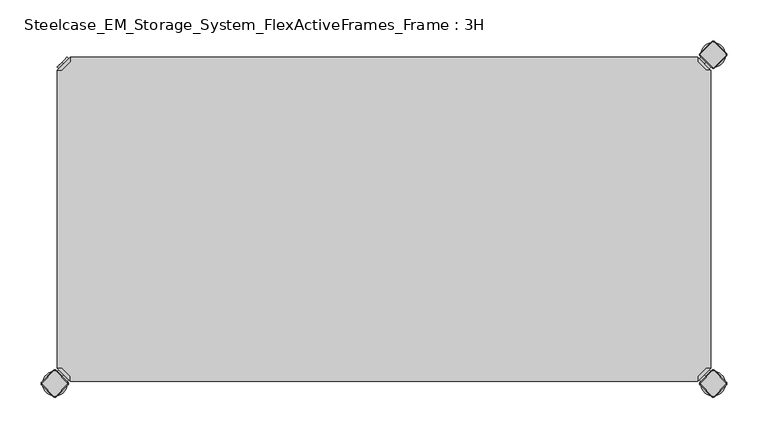
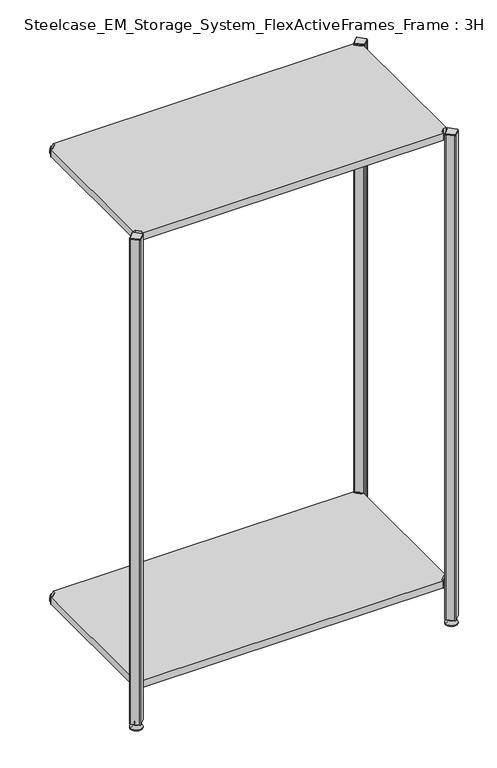
"""IFC4 building model written with IfcOpenShell, lengths in millimetres: furniture geometry, Steelcase_EM_Storage_System_FlexActiveFrames_Frame : 3H."""

from ifc_helpers import new_model, si_unit, point, frame, frame_2d, origin, place, context, project, spatial, polyline, circle_curve, trimmed, segment, composite_curve, outline, extrude, source, transform, mapped, element, save
from ifc_brep_helpers import plane_surface, cylinder_surface, revolved_surface, advanced_brep


def steelcase_em_storage_system_flexactiveframes_frame_3h_fc82f0cc(model_context):
    return source(origin(), model_context, "Body", "SolidModel", [
        advanced_brep(
        [(10.9601551, -10.9601551, 1298.5), (10.9601551, -10.9601551, 1315.5), (10.9601551, -10.9601551, 1307.0), (8.8388348, -8.8388348, 1298.5), (8.8388348, -8.8388348, 1315.5), (8.8388348, -8.8388348, 1307.0)],
        [
            (0, 1, circle_curve(frame((10.9601551, -10.9601551, 1307.0), z_axis=(0.7071067811865464, -0.7071067811865487, 0.0), x_axis=(0.0, 0.0, 1.0)), 8.5)),
            (1, 2),
            (2, 0),
            (1, 0, circle_curve(frame((10.9601551, -10.9601551, 1307.0), z_axis=(0.7071067811865464, -0.7071067811865487, 0.0), x_axis=(0.0, 0.0, 1.0)), 8.5)),
            (3, 4, circle_curve(frame((8.8388348, -8.8388348, 1307.0), z_axis=(0.7071067811865464, -0.7071067811865487, 0.0), x_axis=(0.0, 0.0, 1.0)), 8.5)),
            (4, 1),
            (0, 3),
            (4, 3, circle_curve(frame((8.8388348, -8.8388348, 1307.0), z_axis=(0.7071067811865464, -0.7071067811865487, 0.0), x_axis=(0.0, 0.0, 1.0)), 8.5)),
            (5, 4),
            (3, 5),
        ],
        [
            plane_surface(frame((10.9601551, -10.9601551, 1307.0), z_axis=(0.707106781186546, -0.7071067811865491, 0.0), x_axis=(0.0, 0.0, 1.0))),
            cylinder_surface(frame((8.8388348, -8.8388348, 1307.0), z_axis=(-0.7071067811865464, 0.7071067811865487, 0.0), x_axis=(0.0, 0.0, 1.0)), 8.5),
            plane_surface(frame((8.8388348, -8.8388348, 1307.0), z_axis=(-0.707106781186546, 0.7071067811865491, 0.0), x_axis=(0.0, 0.0, 1.0))),
        ],
        [
            (0, [[1, 2, 3]]),
            (0, [[4, -3, -2]]),
            (1, [[5, 6, -1, 7]]),
            (1, [[8, -7, -4, -6]]),
            (2, [[9, -5, 10]]),
            (2, [[-10, -8, -9]]),
        ],
    ),
        advanced_brep(
        [(18.9203102, -3.0, 1317.0), (3.0, -18.9203102, 1317.0), (8.6568542, -18.9203102, 1317.0), (18.9203102, -8.6568542, 1317.0), (18.9203102, -3.0, 1298.0), (18.9203102, -3.0, 1297.0), (3.0, -18.9203102, 1297.0), (3.0, -18.9203102, 1298.0), (8.6568542, -18.9203102, 1298.0), (18.9203102, -8.6568542, 1298.0), (31.8093975, -47.7297077, 1298.0), (47.7297077, -31.8093975, 1298.0), (47.7297077, -31.8093975, 1297.0), (31.8093975, -47.7297077, 1297.0)],
        [
            (0, 1),
            (1, 2),
            (2, 3),
            (3, 0),
            (0, 4),
            (4, 5),
            (5, 6),
            (6, 7),
            (7, 1),
            (2, 8),
            (8, 9),
            (9, 3),
            (9, 4),
            (7, 8),
            (7, 10),
            (10, 11, circle_curve(frame((39.7695526, -39.7695526, 1298.0), z_axis=(0.0, 0.0, 1.0), x_axis=(1.0, 0.0, 0.0)), 11.2573593)),
            (11, 4),
            (5, 12),
            (12, 13, circle_curve(frame((39.7695526, -39.7695526, 1297.0), z_axis=(0.0, 0.0, -1.0), x_axis=(1.0, 0.0, 0.0)), 11.2573593)),
            (13, 6),
            (13, 10),
            (12, 11),
        ],
        [
            plane_surface(frame((-38.8756299, -60.7959401, 1317.0), z_axis=(0.0, 0.0, 1.0000000000000002), x_axis=(-0.7071067811865557, -0.7071067811865395, 0.0))),
            plane_surface(frame((18.9203102, -3.0, 1317.0), z_axis=(-0.7071067811865395, 0.7071067811865557, 0.0), x_axis=(0.0, 0.0, -1.0))),
            plane_surface(frame((8.6568542, -18.9203102, 1317.0), z_axis=(0.7071067811865481, -0.7071067811865469, 0.0), x_axis=(0.0, 0.0, -1.0))),
            plane_surface(frame((18.9203102, -8.6568542, 1317.0), z_axis=(1.0, 0.0, 0.0), x_axis=(0.0, 0.0, -1.0))),
            plane_surface(frame((3.0, -18.9203102, 1317.0), z_axis=(0.0, -1.0, 0.0), x_axis=(0.0, 0.0, -1.0))),
            plane_surface(frame((3.0, -18.9203102, 1298.0), z_axis=(0.0, 0.0, 1.0), x_axis=(-0.7071067811865485, -0.7071067811865466, 0.0))),
            plane_surface(frame((3.0, -18.9203102, 1297.0), z_axis=(0.0, 0.0, -1.0), x_axis=(0.7071067811865485, 0.7071067811865466, 0.0))),
            plane_surface(frame((3.0, -18.9203102, 1298.0), z_axis=(-0.7071067811865491, -0.707106781186546, 0.0), x_axis=(0.0, 0.0, -1.0))),
            cylinder_surface(frame((39.7695526, -39.7695526, 1297.0), z_axis=(0.0, 0.0, 1.0), x_axis=(1.0, 0.0, 0.0)), 11.2573593),
            plane_surface(frame((47.7297077, -31.8093975, 1298.0), z_axis=(0.707106781186548, 0.7071067811865471, 0.0), x_axis=(0.0, 0.0, -1.0))),
        ],
        [
            (0, [[1, 2, 3, 4]]),
            (1, [[-1, 5, 6, 7, 8, 9]]),
            (2, [[-3, 10, 11, 12]]),
            (3, [[-4, -12, 13, -5]]),
            (4, [[-2, -9, 14, -10]]),
            (5, [[15, 16, 17, -13, -11, -14]]),
            (6, [[18, 19, 20, -7]]),
            (7, [[-15, -8, -20, 21]]),
            (8, [[-16, -21, -19, 22]]),
            (9, [[-17, -22, -18, -6]]),
        ],
    ),
        extrude(outline(polyline([(781.0796898, -3.0), (781.0796898, -8.6568542), (791.3431458, -18.9203102), (797.0, -18.9203102), (797.0, -381.0796898), (791.3431458, -381.0796898), (781.0796898, -391.3431458), (781.0796898, -397.0), (18.9203102, -397.0), (18.9203102, -391.3431458), (8.6568542, -381.0796898), (3.0, -381.0796898), (3.0, -18.9203102), (8.6568542, -18.9203102), (18.9203102, -8.6568542), (18.9203102, -3.0), (781.0796898, -3.0)])), frame((0.0, 0.0, 1298.0), z_axis=(0.0, 0.0, 1.0), x_axis=(1.0, 0.0, 0.0)), (0.0, 0.0, 1.0), 19.0),
        advanced_brep(
        [(789.0398449, -10.9601551, 98.5), (789.0398449, -10.9601551, 107.0), (789.0398449, -10.9601551, 115.5), (791.1611652, -8.8388348, 98.5), (791.1611652, -8.8388348, 115.5), (791.1611652, -8.8388348, 107.0)],
        [
            (0, 1),
            (1, 2),
            (2, 0, circle_curve(frame((789.0398449, -10.9601551, 107.0), z_axis=(-0.7071067811865556, -0.7071067811865395, 0.0), x_axis=(0.0, 0.0, 1.0)), 8.5)),
            (0, 2, circle_curve(frame((789.0398449, -10.9601551, 107.0), z_axis=(-0.7071067811865556, -0.7071067811865395, 0.0), x_axis=(0.0, 0.0, 1.0)), 8.5)),
            (3, 0),
            (2, 4),
            (4, 3, circle_curve(frame((791.1611652, -8.8388348, 107.0), z_axis=(-0.7071067811865556, -0.7071067811865395, 0.0), x_axis=(0.0, 0.0, 1.0)), 8.5)),
            (3, 4, circle_curve(frame((791.1611652, -8.8388348, 107.0), z_axis=(-0.7071067811865556, -0.7071067811865395, 0.0), x_axis=(0.0, 0.0, 1.0)), 8.5)),
            (5, 3),
            (4, 5),
        ],
        [
            plane_surface(frame((789.0398449, -10.9601551, 107.0), z_axis=(-0.7071067811865552, -0.7071067811865399, 0.0), x_axis=(0.0, 0.0, 1.0))),
            cylinder_surface(frame((791.1611652, -8.8388348, 107.0), z_axis=(0.7071067811865556, 0.7071067811865395, 0.0), x_axis=(0.0, 0.0, 1.0)), 8.5),
            plane_surface(frame((791.1611652, -8.8388348, 107.0), z_axis=(0.7071067811865552, 0.7071067811865399, 0.0), x_axis=(0.0, 0.0, 1.0))),
        ],
        [
            (0, [[1, 2, 3]]),
            (0, [[-2, -1, 4]]),
            (1, [[5, -3, 6, 7]]),
            (1, [[-6, -4, -5, 8]]),
            (2, [[9, -7, 10]]),
            (2, [[-10, -8, -9]]),
        ],
    ),
        advanced_brep(
        [(781.0796898, -3.0, 117.0), (781.0796898, -8.6568542, 117.0), (791.3431458, -18.9203102, 117.0), (797.0, -18.9203102, 117.0), (797.0, -18.9203102, 98.0), (797.0, -18.9203102, 97.0), (781.0796898, -3.0, 97.0), (781.0796898, -3.0, 98.0), (781.0796898, -8.6568542, 98.0), (791.3431458, -18.9203102, 98.0), (752.2702923, -31.8093975, 98.0), (768.1906025, -47.7297077, 98.0), (768.1906025, -47.7297077, 97.0), (752.2702923, -31.8093975, 97.0)],
        [
            (0, 1),
            (1, 2),
            (2, 3),
            (3, 0),
            (3, 4),
            (4, 5),
            (5, 6),
            (6, 7),
            (7, 0),
            (1, 8),
            (8, 9),
            (9, 2),
            (7, 8),
            (9, 4),
            (7, 10),
            (10, 11, circle_curve(frame((760.2304474, -39.7695526, 98.0), z_axis=(0.0, 0.0, 1.0), x_axis=(-1.0, 0.0, 0.0)), 11.2573593)),
            (11, 4),
            (5, 12),
            (12, 13, circle_curve(frame((760.2304474, -39.7695526, 97.0), z_axis=(0.0, 0.0, -1.0), x_axis=(-1.0, 0.0, 0.0)), 11.2573593)),
            (13, 6),
            (11, 12),
            (10, 13),
        ],
        [
            plane_surface(frame((838.8756299, -60.7959401, 117.0), z_axis=(0.0, 0.0, 1.0000000000000002), x_axis=(0.7071067811865465, -0.7071067811865487, 0.0))),
            plane_surface(frame((781.0796898, -3.0, 117.0), z_axis=(0.7071067811865487, 0.7071067811865465, 0.0), x_axis=(0.0, 0.0, -1.0))),
            plane_surface(frame((791.3431458, -18.9203102, 117.0), z_axis=(-0.7071067811865573, -0.7071067811865377, 0.0), x_axis=(0.0, 0.0, -1.0))),
            plane_surface(frame((781.0796898, -8.6568542, 117.0), z_axis=(-1.0, 0.0, 0.0), x_axis=(0.0, 0.0, -1.0))),
            plane_surface(frame((797.0, -18.9203102, 117.0), z_axis=(0.0, -1.0, 0.0), x_axis=(0.0, 0.0, -1.0))),
            plane_surface(frame((797.0, -18.9203102, 98.0), z_axis=(0.0, 0.0, 1.0), x_axis=(0.7071067811865392, -0.7071067811865558, 0.0))),
            plane_surface(frame((797.0, -18.9203102, 97.0), z_axis=(0.0, 0.0, -1.0), x_axis=(-0.7071067811865392, 0.7071067811865558, 0.0))),
            plane_surface(frame((797.0, -18.9203102, 98.0), z_axis=(0.7071067811865399, -0.7071067811865552, 0.0), x_axis=(0.0, 0.0, -1.0))),
            cylinder_surface(frame((760.2304474, -39.7695526, 97.0), z_axis=(0.0, 0.0, 1.0), x_axis=(-1.0, 0.0, 0.0)), 11.2573593),
            plane_surface(frame((752.2702923, -31.8093975, 98.0), z_axis=(-0.7071067811865388, 0.7071067811865563, 0.0), x_axis=(0.0, 0.0, -1.0))),
        ],
        [
            (0, [[1, 2, 3, 4]]),
            (1, [[5, 6, 7, 8, 9, -4]]),
            (2, [[10, 11, 12, -2]]),
            (3, [[-9, 13, -10, -1]]),
            (4, [[-12, 14, -5, -3]]),
            (5, [[-14, -11, -13, 15, 16, 17]]),
            (6, [[-7, 18, 19, 20]]),
            (7, [[21, -18, -6, -17]]),
            (8, [[22, -19, -21, -16]]),
            (9, [[-8, -20, -22, -15]]),
        ],
    ),
        advanced_brep(
        [(789.0398449, -389.0398449, 98.5), (789.0398449, -389.0398449, 115.5), (789.0398449, -389.0398449, 107.0), (791.1611652, -391.1611652, 98.5), (791.1611652, -391.1611652, 115.5), (791.1611652, -391.1611652, 107.0)],
        [
            (0, 1, circle_curve(frame((789.0398449, -389.0398449, 107.0), z_axis=(-0.7071067811865509, 0.7071067811865441, 0.0), x_axis=(0.0, 0.0, 1.0)), 8.5)),
            (1, 2),
            (2, 0),
            (1, 0, circle_curve(frame((789.0398449, -389.0398449, 107.0), z_axis=(-0.7071067811865509, 0.7071067811865441, 0.0), x_axis=(0.0, 0.0, 1.0)), 8.5)),
            (3, 4, circle_curve(frame((791.1611652, -391.1611652, 107.0), z_axis=(-0.7071067811865509, 0.7071067811865441, 0.0), x_axis=(0.0, 0.0, 1.0)), 8.5)),
            (4, 1),
            (0, 3),
            (4, 3, circle_curve(frame((791.1611652, -391.1611652, 107.0), z_axis=(-0.7071067811865509, 0.7071067811865441, 0.0), x_axis=(0.0, 0.0, 1.0)), 8.5)),
            (5, 4),
            (3, 5),
        ],
        [
            plane_surface(frame((789.0398449, -389.0398449, 107.0), z_axis=(-0.7071067811865506, 0.7071067811865446, 0.0), x_axis=(0.0, 0.0, 1.0))),
            cylinder_surface(frame((791.1611652, -391.1611652, 107.0), z_axis=(0.7071067811865509, -0.7071067811865441, 0.0), x_axis=(0.0, 0.0, 1.0)), 8.5),
            plane_surface(frame((791.1611652, -391.1611652, 107.0), z_axis=(0.7071067811865506, -0.7071067811865446, 0.0), x_axis=(0.0, 0.0, 1.0))),
        ],
        [
            (0, [[1, 2, 3]]),
            (0, [[4, -3, -2]]),
            (1, [[5, 6, -1, 7]]),
            (1, [[8, -7, -4, -6]]),
            (2, [[9, -5, 10]]),
            (2, [[-10, -8, -9]]),
        ],
    ),
        advanced_brep(
        [(781.0796898, -397.0, 117.0), (797.0, -381.0796898, 117.0), (791.3431458, -381.0796898, 117.0), (781.0796898, -391.3431458, 117.0), (781.0796898, -397.0, 98.0), (781.0796898, -397.0, 97.0), (797.0, -381.0796898, 97.0), (797.0, -381.0796898, 98.0), (791.3431458, -381.0796898, 98.0), (781.0796898, -391.3431458, 98.0), (768.1906025, -352.2702923, 98.0), (752.2702923, -368.1906025, 98.0), (752.2702923, -368.1906025, 97.0), (768.1906025, -352.2702923, 97.0)],
        [
            (0, 1),
            (1, 2),
            (2, 3),
            (3, 0),
            (0, 4),
            (4, 5),
            (5, 6),
            (6, 7),
            (7, 1),
            (2, 8),
            (8, 9),
            (9, 3),
            (9, 4),
            (7, 8),
            (7, 10),
            (10, 11, circle_curve(frame((760.2304474, -360.2304474, 98.0), z_axis=(0.0, 0.0, 1.0), x_axis=(-1.0, 0.0, 0.0)), 11.2573593)),
            (11, 4),
            (5, 12),
            (12, 13, circle_curve(frame((760.2304474, -360.2304474, 97.0), z_axis=(0.0, 0.0, -1.0), x_axis=(-1.0, 0.0, 0.0)), 11.2573593)),
            (13, 6),
            (13, 10),
            (12, 11),
        ],
        [
            plane_surface(frame((838.8756299, -339.2040599, 117.0), z_axis=(0.0, 0.0, 1.0000000000000002), x_axis=(0.7071067811865511, 0.707106781186544, 0.0))),
            plane_surface(frame((781.0796898, -397.0, 117.0), z_axis=(0.707106781186544, -0.7071067811865511, 0.0), x_axis=(0.0, 0.0, -1.0))),
            plane_surface(frame((791.3431458, -381.0796898, 117.0), z_axis=(-0.7071067811865527, 0.7071067811865424, 0.0), x_axis=(0.0, 0.0, -1.0))),
            plane_surface(frame((781.0796898, -391.3431458, 117.0), z_axis=(-1.0, 0.0, 0.0), x_axis=(0.0, 0.0, -1.0))),
            plane_surface(frame((797.0, -381.0796898, 117.0), z_axis=(0.0, 1.0, 0.0), x_axis=(0.0, 0.0, -1.0))),
            plane_surface(frame((797.0, -381.0796898, 98.0), z_axis=(0.0, 0.0, 1.0), x_axis=(0.7071067811865439, 0.7071067811865511, 0.0))),
            plane_surface(frame((797.0, -381.0796898, 97.0), z_axis=(0.0, 0.0, -1.0), x_axis=(-0.7071067811865439, -0.7071067811865511, 0.0))),
            plane_surface(frame((797.0, -381.0796898, 98.0), z_axis=(0.7071067811865446, 0.7071067811865506, 0.0), x_axis=(0.0, 0.0, -1.0))),
            cylinder_surface(frame((760.2304474, -360.2304474, 97.0), z_axis=(0.0, 0.0, 1.0), x_axis=(-1.0, 0.0, 0.0)), 11.2573593),
            plane_surface(frame((752.2702923, -368.1906025, 98.0), z_axis=(-0.7071067811865435, -0.7071067811865517, 0.0), x_axis=(0.0, 0.0, -1.0))),
        ],
        [
            (0, [[1, 2, 3, 4]]),
            (1, [[-1, 5, 6, 7, 8, 9]]),
            (2, [[-3, 10, 11, 12]]),
            (3, [[-4, -12, 13, -5]]),
            (4, [[-2, -9, 14, -10]]),
            (5, [[15, 16, 17, -13, -11, -14]]),
            (6, [[18, 19, 20, -7]]),
            (7, [[-15, -8, -20, 21]]),
            (8, [[-16, -21, -19, 22]]),
            (9, [[-17, -22, -18, -6]]),
        ],
    ),
        advanced_brep(
        [(10.9601551, -389.0398449, 98.5), (10.9601551, -389.0398449, 107.0), (10.9601551, -389.0398449, 115.5), (8.8388348, -391.1611652, 98.5), (8.8388348, -391.1611652, 115.5), (8.8388348, -391.1611652, 107.0)],
        [
            (0, 1),
            (1, 2),
            (2, 0, circle_curve(frame((10.9601551, -389.0398449, 107.0), z_axis=(0.7071067811865509, 0.7071067811865441, 0.0), x_axis=(0.0, 0.0, 1.0)), 8.5)),
            (0, 2, circle_curve(frame((10.9601551, -389.0398449, 107.0), z_axis=(0.7071067811865509, 0.7071067811865441, 0.0), x_axis=(0.0, 0.0, 1.0)), 8.5)),
            (3, 0),
            (2, 4),
            (4, 3, circle_curve(frame((8.8388348, -391.1611652, 107.0), z_axis=(0.7071067811865509, 0.7071067811865441, 0.0), x_axis=(0.0, 0.0, 1.0)), 8.5)),
            (3, 4, circle_curve(frame((8.8388348, -391.1611652, 107.0), z_axis=(0.7071067811865509, 0.7071067811865441, 0.0), x_axis=(0.0, 0.0, 1.0)), 8.5)),
            (5, 3),
            (4, 5),
        ],
        [
            plane_surface(frame((10.9601551, -389.0398449, 107.0), z_axis=(0.7071067811865506, 0.7071067811865446, 0.0), x_axis=(0.0, 0.0, 1.0))),
            cylinder_surface(frame((8.8388348, -391.1611652, 107.0), z_axis=(-0.7071067811865509, -0.7071067811865441, 0.0), x_axis=(0.0, 0.0, 1.0)), 8.5),
            plane_surface(frame((8.8388348, -391.1611652, 107.0), z_axis=(-0.7071067811865506, -0.7071067811865446, 0.0), x_axis=(0.0, 0.0, 1.0))),
        ],
        [
            (0, [[1, 2, 3]]),
            (0, [[-2, -1, 4]]),
            (1, [[5, -3, 6, 7]]),
            (1, [[-6, -4, -5, 8]]),
            (2, [[9, -7, 10]]),
            (2, [[-10, -8, -9]]),
        ],
    ),
        advanced_brep(
        [(18.9203102, -397.0, 117.0), (18.9203102, -391.3431458, 117.0), (8.6568542, -381.0796898, 117.0), (3.0, -381.0796898, 117.0), (3.0, -381.0796898, 98.0), (3.0, -381.0796898, 97.0), (18.9203102, -397.0, 97.0), (18.9203102, -397.0, 98.0), (18.9203102, -391.3431458, 98.0), (8.6568542, -381.0796898, 98.0), (47.7297077, -368.1906025, 98.0), (31.8093975, -352.2702923, 98.0), (31.8093975, -352.2702923, 97.0), (47.7297077, -368.1906025, 97.0)],
        [
            (0, 1),
            (1, 2),
            (2, 3),
            (3, 0),
            (3, 4),
            (4, 5),
            (5, 6),
            (6, 7),
            (7, 0),
            (1, 8),
            (8, 9),
            (9, 2),
            (7, 8),
            (9, 4),
            (7, 10),
            (10, 11, circle_curve(frame((39.7695526, -360.2304474, 98.0), z_axis=(0.0, 0.0, 1.0), x_axis=(1.0, 0.0, 0.0)), 11.2573593)),
            (11, 4),
            (5, 12),
            (12, 13, circle_curve(frame((39.7695526, -360.2304474, 97.0), z_axis=(0.0, 0.0, -1.0), x_axis=(1.0, 0.0, 0.0)), 11.2573593)),
            (13, 6),
            (11, 12),
            (10, 13),
        ],
        [
            plane_surface(frame((-38.8756299, -339.2040599, 117.0), z_axis=(0.0, 0.0, 1.0000000000000002), x_axis=(-0.7071067811865511, 0.707106781186544, 0.0))),
            plane_surface(frame((18.9203102, -397.0, 117.0), z_axis=(-0.707106781186544, -0.7071067811865511, 0.0), x_axis=(0.0, 0.0, -1.0))),
            plane_surface(frame((8.6568542, -381.0796898, 117.0), z_axis=(0.7071067811865527, 0.7071067811865424, 0.0), x_axis=(0.0, 0.0, -1.0))),
            plane_surface(frame((18.9203102, -391.3431458, 117.0), z_axis=(1.0, 0.0, 0.0), x_axis=(0.0, 0.0, -1.0))),
            plane_surface(frame((3.0, -381.0796898, 117.0), z_axis=(0.0, 1.0, 0.0), x_axis=(0.0, 0.0, -1.0))),
            plane_surface(frame((3.0, -381.0796898, 98.0), z_axis=(0.0, 0.0, 1.0), x_axis=(-0.7071067811865439, 0.7071067811865511, 0.0))),
            plane_surface(frame((3.0, -381.0796898, 97.0), z_axis=(0.0, 0.0, -1.0), x_axis=(0.7071067811865439, -0.7071067811865511, 0.0))),
            plane_surface(frame((3.0, -381.0796898, 98.0), z_axis=(-0.7071067811865446, 0.7071067811865506, 0.0), x_axis=(0.0, 0.0, -1.0))),
            cylinder_surface(frame((39.7695526, -360.2304474, 97.0), z_axis=(0.0, 0.0, 1.0), x_axis=(1.0, 0.0, 0.0)), 11.2573593),
            plane_surface(frame((47.7297077, -368.1906025, 98.0), z_axis=(0.7071067811865435, -0.7071067811865517, 0.0), x_axis=(0.0, 0.0, -1.0))),
        ],
        [
            (0, [[1, 2, 3, 4]]),
            (1, [[5, 6, 7, 8, 9, -4]]),
            (2, [[10, 11, 12, -2]]),
            (3, [[-9, 13, -10, -1]]),
            (4, [[-12, 14, -5, -3]]),
            (5, [[-14, -11, -13, 15, 16, 17]]),
            (6, [[-7, 18, 19, 20]]),
            (7, [[21, -18, -6, -17]]),
            (8, [[22, -19, -21, -16]]),
            (9, [[-8, -20, -22, -15]]),
        ],
    ),
        advanced_brep(
        [(10.9601551, -10.9601551, 98.5), (10.9601551, -10.9601551, 115.5), (10.9601551, -10.9601551, 107.0), (8.8388348, -8.8388348, 98.5), (8.8388348, -8.8388348, 115.5), (8.8388348, -8.8388348, 107.0)],
        [
            (0, 1, circle_curve(frame((10.9601551, -10.9601551, 107.0), z_axis=(0.7071067811865464, -0.7071067811865487, 0.0), x_axis=(0.0, 0.0, 1.0)), 8.5)),
            (1, 2),
            (2, 0),
            (1, 0, circle_curve(frame((10.9601551, -10.9601551, 107.0), z_axis=(0.7071067811865464, -0.7071067811865487, 0.0), x_axis=(0.0, 0.0, 1.0)), 8.5)),
            (3, 4, circle_curve(frame((8.8388348, -8.8388348, 107.0), z_axis=(0.7071067811865464, -0.7071067811865487, 0.0), x_axis=(0.0, 0.0, 1.0)), 8.5)),
            (4, 1),
            (0, 3),
            (4, 3, circle_curve(frame((8.8388348, -8.8388348, 107.0), z_axis=(0.7071067811865464, -0.7071067811865487, 0.0), x_axis=(0.0, 0.0, 1.0)), 8.5)),
            (5, 4),
            (3, 5),
        ],
        [
            plane_surface(frame((10.9601551, -10.9601551, 107.0), z_axis=(0.707106781186546, -0.7071067811865491, 0.0), x_axis=(0.0, 0.0, 1.0))),
            cylinder_surface(frame((8.8388348, -8.8388348, 107.0), z_axis=(-0.7071067811865464, 0.7071067811865487, 0.0), x_axis=(0.0, 0.0, 1.0)), 8.5),
            plane_surface(frame((8.8388348, -8.8388348, 107.0), z_axis=(-0.707106781186546, 0.7071067811865491, 0.0), x_axis=(0.0, 0.0, 1.0))),
        ],
        [
            (0, [[1, 2, 3]]),
            (0, [[4, -3, -2]]),
            (1, [[5, 6, -1, 7]]),
            (1, [[8, -7, -4, -6]]),
            (2, [[9, -5, 10]]),
            (2, [[-10, -8, -9]]),
        ],
    ),
        advanced_brep(
        [(18.9203102, -3.0, 117.0), (3.0, -18.9203102, 117.0), (8.6568542, -18.9203102, 117.0), (18.9203102, -8.6568542, 117.0), (18.9203102, -3.0, 98.0), (18.9203102, -3.0, 97.0), (3.0, -18.9203102, 97.0), (3.0, -18.9203102, 98.0), (8.6568542, -18.9203102, 98.0), (18.9203102, -8.6568542, 98.0), (31.8093975, -47.7297077, 98.0), (47.7297077, -31.8093975, 98.0), (47.7297077, -31.8093975, 97.0), (31.8093975, -47.7297077, 97.0)],
        [
            (0, 1),
            (1, 2),
            (2, 3),
            (3, 0),
            (0, 4),
            (4, 5),
            (5, 6),
            (6, 7),
            (7, 1),
            (2, 8),
            (8, 9),
            (9, 3),
            (9, 4),
            (7, 8),
            (7, 10),
            (10, 11, circle_curve(frame((39.7695526, -39.7695526, 98.0), z_axis=(0.0, 0.0, 1.0), x_axis=(1.0, 0.0, 0.0)), 11.2573593)),
            (11, 4),
            (5, 12),
            (12, 13, circle_curve(frame((39.7695526, -39.7695526, 97.0), z_axis=(0.0, 0.0, -1.0), x_axis=(1.0, 0.0, 0.0)), 11.2573593)),
            (13, 6),
            (13, 10),
            (12, 11),
        ],
        [
            plane_surface(frame((-38.8756299, -60.7959401, 117.0), z_axis=(0.0, 0.0, 1.0000000000000002), x_axis=(-0.7071067811865557, -0.7071067811865395, 0.0))),
            plane_surface(frame((18.9203102, -3.0, 117.0), z_axis=(-0.7071067811865395, 0.7071067811865557, 0.0), x_axis=(0.0, 0.0, -1.0))),
            plane_surface(frame((8.6568542, -18.9203102, 117.0), z_axis=(0.7071067811865481, -0.7071067811865469, 0.0), x_axis=(0.0, 0.0, -1.0))),
            plane_surface(frame((18.9203102, -8.6568542, 117.0), z_axis=(1.0, 0.0, 0.0), x_axis=(0.0, 0.0, -1.0))),
            plane_surface(frame((3.0, -18.9203102, 117.0), z_axis=(0.0, -1.0, 0.0), x_axis=(0.0, 0.0, -1.0))),
            plane_surface(frame((3.0, -18.9203102, 98.0), z_axis=(0.0, 0.0, 1.0), x_axis=(-0.7071067811865485, -0.7071067811865466, 0.0))),
            plane_surface(frame((3.0, -18.9203102, 97.0), z_axis=(0.0, 0.0, -1.0), x_axis=(0.7071067811865485, 0.7071067811865466, 0.0))),
            plane_surface(frame((3.0, -18.9203102, 98.0), z_axis=(-0.7071067811865491, -0.707106781186546, 0.0), x_axis=(0.0, 0.0, -1.0))),
            cylinder_surface(frame((39.7695526, -39.7695526, 97.0), z_axis=(0.0, 0.0, 1.0), x_axis=(1.0, 0.0, 0.0)), 11.2573593),
            plane_surface(frame((47.7297077, -31.8093975, 98.0), z_axis=(0.707106781186548, 0.7071067811865471, 0.0), x_axis=(0.0, 0.0, -1.0))),
        ],
        [
            (0, [[1, 2, 3, 4]]),
            (1, [[-1, 5, 6, 7, 8, 9]]),
            (2, [[-3, 10, 11, 12]]),
            (3, [[-4, -12, 13, -5]]),
            (4, [[-2, -9, 14, -10]]),
            (5, [[15, 16, 17, -13, -11, -14]]),
            (6, [[18, 19, 20, -7]]),
            (7, [[-15, -8, -20, 21]]),
            (8, [[-16, -21, -19, 22]]),
            (9, [[-17, -22, -18, -6]]),
        ],
    ),
        extrude(outline(polyline([(781.0796898, -3.0), (781.0796898, -8.6568542), (791.3431458, -18.9203102), (797.0, -18.9203102), (797.0, -381.0796898), (791.3431458, -381.0796898), (781.0796898, -391.3431458), (781.0796898, -397.0), (18.9203102, -397.0), (18.9203102, -391.3431458), (8.6568542, -381.0796898), (3.0, -381.0796898), (3.0, -18.9203102), (8.6568542, -18.9203102), (18.9203102, -8.6568542), (18.9203102, -3.0), (781.0796898, -3.0)])), frame((0.0, 0.0, 98.0), z_axis=(0.0, 0.0, 1.0), x_axis=(1.0, 0.0, 0.0)), (0.0, 0.0, 1.0), 19.0),
        advanced_brep(
        [(785.0, -400.0, 0.0), (815.0, -400.0, 0.0), (800.0, -400.0, 0.0), (785.0, -400.0, 2.0), (815.0, -400.0, 2.0), (792.0, -400.0, 9.0), (808.0, -400.0, 9.0), (796.0, -400.0, 9.0), (804.0, -400.0, 9.0), (796.0, -400.0, 15.0), (804.0, -400.0, 15.0), (800.0, -400.0, 15.0)],
        [
            (0, 1, circle_curve(frame((800.0, -400.0, 0.0), z_axis=(0.0, 0.0, -1.0), x_axis=(1.0, 0.0, 0.0)), 15.0)),
            (1, 2),
            (2, 0),
            (1, 0, circle_curve(frame((800.0, -400.0, 0.0), z_axis=(0.0, 0.0, -1.0), x_axis=(1.0, 0.0, 0.0)), 15.0)),
            (3, 4, circle_curve(frame((800.0, -400.0, 2.0), z_axis=(0.0, 0.0, -1.0), x_axis=(1.0, 0.0, 0.0)), 15.0)),
            (4, 1),
            (0, 3),
            (4, 3, circle_curve(frame((800.0, -400.0, 2.0), z_axis=(0.0, 0.0, -1.0), x_axis=(1.0, 0.0, 0.0)), 15.0)),
            (5, 6, circle_curve(frame((800.0, -400.0, 9.0), z_axis=(0.0, 0.0, -1.0), x_axis=(1.0, 0.0, 0.0)), 8.0)),
            (6, 4),
            (3, 5),
            (6, 5, circle_curve(frame((800.0, -400.0, 9.0), z_axis=(0.0, 0.0, -1.0), x_axis=(1.0, 0.0, 0.0)), 8.0)),
            (7, 8, circle_curve(frame((800.0, -400.0, 9.0), z_axis=(0.0, 0.0, -1.0), x_axis=(1.0, 0.0, 0.0)), 4.0)),
            (8, 6),
            (5, 7),
            (8, 7, circle_curve(frame((800.0, -400.0, 9.0), z_axis=(0.0, 0.0, -1.0), x_axis=(1.0, 0.0, 0.0)), 4.0)),
            (9, 10, circle_curve(frame((800.0, -400.0, 15.0), z_axis=(0.0, 0.0, -1.0), x_axis=(1.0, 0.0, 0.0)), 4.0)),
            (10, 8),
            (7, 9),
            (10, 9, circle_curve(frame((800.0, -400.0, 15.0), z_axis=(0.0, 0.0, -1.0), x_axis=(1.0, 0.0, 0.0)), 4.0)),
            (11, 10),
            (9, 11),
        ],
        [
            plane_surface(frame((800.0, -400.0, 0.0), z_axis=(0.0, 0.0, -1.0), x_axis=(1.0, 0.0, 0.0))),
            cylinder_surface(frame((800.0, -400.0, 18.6083303), z_axis=(0.0, 0.0, 1.0), x_axis=(1.0, 0.0, 0.0)), 15.0),
            revolved_surface(polyline([(815.0, -400.0, 2.0), (808.0, -400.0, 9.0)]), (800.0, -400.0, 18.6083303), (0.0, 0.0, 1.0)),
            plane_surface(frame((800.0, -400.0, 9.0), z_axis=(0.0, 0.0, 1.0), x_axis=(1.0, 0.0, 0.0))),
            cylinder_surface(frame((800.0, -400.0, 18.6083303), z_axis=(0.0, 0.0, 1.0), x_axis=(1.0, 0.0, 0.0)), 4.0),
            plane_surface(frame((800.0, -400.0, 15.0), z_axis=(0.0, 0.0, 1.0), x_axis=(1.0, 0.0, 0.0))),
        ],
        [
            (0, [[1, 2, 3]]),
            (0, [[4, -3, -2]]),
            (1, [[5, 6, -1, 7]]),
            (1, [[8, -7, -4, -6]]),
            (2, [[9, 10, -5, 11]]),
            (2, [[12, -11, -8, -10]]),
            (3, [[13, 14, -9, 15]]),
            (3, [[16, -15, -12, -14]]),
            (4, [[17, 18, -13, 19]]),
            (4, [[20, -19, -16, -18]]),
            (5, [[21, -17, 22]]),
            (5, [[-22, -20, -21]]),
        ],
    ),
        advanced_brep(
        [(798.7979185, -384.6557828, 1317.0), (784.6557828, -398.7979185, 1317.0), (784.6557828, -401.2020815, 1317.0), (798.7979185, -415.3442172, 1317.0), (801.2020815, -415.3442172, 1317.0), (815.3442172, -401.2020815, 1317.0), (815.3442172, -398.7979185, 1317.0), (801.2020815, -384.6557828, 1317.0), (798.232233, -384.0900974, 1315.0), (801.767767, -384.0900974, 1315.0), (815.9099026, -398.232233, 1315.0), (815.9099026, -401.767767, 1315.0), (801.767767, -415.9099026, 1315.0), (798.232233, -415.9099026, 1315.0), (784.0900974, -401.767767, 1315.0), (784.0900974, -398.232233, 1315.0)],
        [
            (0, 1),
            (1, 2, circle_curve(frame((785.8578644, -400.0, 1317.0), z_axis=(0.0, 0.0, 1.0), x_axis=(-0.7071067811865537, 0.7071067811865414, 0.0)), 1.7)),
            (2, 3),
            (3, 4, circle_curve(frame((800.0, -414.1421356, 1317.0), z_axis=(0.0, 0.0, 1.0), x_axis=(-0.7071067811865491, -0.707106781186546, 0.0)), 1.7)),
            (4, 5),
            (5, 6, circle_curve(frame((814.1421356, -400.0, 1317.0), z_axis=(0.0, 0.0, 1.0), x_axis=(0.707106781186539, -0.7071067811865559, 0.0)), 1.7)),
            (6, 7),
            (7, 0, circle_curve(frame((800.0, -385.8578644, 1317.0), z_axis=(0.0, 0.0, 1.0), x_axis=(0.7071067811865458, 0.7071067811865492, 0.0)), 1.7)),
            (8, 9, circle_curve(frame((800.0, -385.8578644, 1315.0), z_axis=(0.0, 0.0, -1.0), x_axis=(0.7071067811865458, 0.7071067811865492, 0.0)), 2.5)),
            (9, 10),
            (10, 11, circle_curve(frame((814.1421356, -400.0, 1315.0), z_axis=(0.0, 0.0, -1.0), x_axis=(0.707106781186539, -0.7071067811865559, 0.0)), 2.5)),
            (11, 12),
            (12, 13, circle_curve(frame((800.0, -414.1421356, 1315.0), z_axis=(0.0, 0.0, -1.0), x_axis=(-0.7071067811865491, -0.707106781186546, 0.0)), 2.5)),
            (13, 14),
            (14, 15, circle_curve(frame((785.8578644, -400.0, 1315.0), z_axis=(0.0, 0.0, -1.0), x_axis=(-0.7071067811865537, 0.7071067811865414, 0.0)), 2.5)),
            (15, 8),
            (15, 1),
            (0, 8),
            (14, 2),
            (13, 3),
            (12, 4),
            (11, 5),
            (10, 6),
            (9, 7),
        ],
        [
            plane_surface(frame((800.0, -400.0, 1317.0), z_axis=(0.0, 0.0, 1.0), x_axis=(-0.7071067811865486, 0.7071067811865466, 0.0))),
            plane_surface(frame((800.0, -400.0, 1315.0), z_axis=(0.0, 0.0, -1.0), x_axis=(-0.7071067811865486, 0.7071067811865466, 0.0))),
            plane_surface(frame((791.1611652, -391.1611652, 1315.0), z_axis=(-0.6565321642986406, 0.656532164298628, 0.3713906763540281), x_axis=(-0.7071067811865408, -0.7071067811865543, 0.0))),
            revolved_surface(polyline([(784.65578284, -398.79791844, 1317.0), (784.0900974, -398.232233, 1315.0)]), (785.8578644, -400.0, 1321.25), (0.0, 0.0, -1.0)),
            plane_surface(frame((791.1611652, -408.8388348, 1315.0), z_axis=(-0.6565321642986325, -0.6565321642986414, 0.3713906763540188), x_axis=(0.7071067811865523, -0.7071067811865428, 0.0))),
            revolved_surface(polyline([(798.79791844, -415.34421716, 1317.0), (798.232233, -415.9099026, 1315.0)]), (800.0, -414.1421356, 1321.25), (0.0, 0.0, -1.0)),
            plane_surface(frame((808.8388348, -408.8388348, 1315.0), z_axis=(0.6565321642986457, -0.6565321642986508, 0.3713906763539787), x_axis=(0.7071067811865541, 0.707106781186541, 0.0))),
            revolved_surface(polyline([(815.34421716, -401.20208156, 1317.0), (815.9099026, -401.767767, 1315.0)]), (814.1421356, -400.0, 1321.25), (0.0, 0.0, -1.0)),
            plane_surface(frame((808.8388348, -391.1611652, 1315.0), z_axis=(0.656532164298657, 0.6565321642986371, 0.37139067635398293), x_axis=(-0.7071067811865407, 0.7071067811865545, 0.0))),
            revolved_surface(polyline([(801.20208156, -384.65578284, 1317.0), (801.767767, -384.0900974, 1315.0)]), (800.0, -385.8578644, 1321.25), (0.0, 0.0, -1.0)),
        ],
        [
            (0, [[1, 2, 3, 4, 5, 6, 7, 8]]),
            (1, [[9, 10, 11, 12, 13, 14, 15, 16]]),
            (2, [[-16, 17, -1, 18]]),
            (3, [[-15, 19, -2, -17]]),
            (4, [[-14, 20, -3, -19]]),
            (5, [[-13, 21, -4, -20]]),
            (6, [[-12, 22, -5, -21]]),
            (7, [[-11, 23, -6, -22]]),
            (8, [[-10, 24, -7, -23]]),
            (9, [[-9, -18, -8, -24]]),
        ],
    ),
        extrude(outline(composite_curve([segment(trimmed(circle_curve(frame_2d((814.1421356, -400.0)), 2.5), [point((815.9099026, -398.232233))], [point((815.9099026, -401.767767))], False, "CARTESIAN"), True, "CONTINUOUS"), segment(polyline([(815.9099026, -401.767767), (801.767767, -415.9099026)]), True, "CONTINUOUS"), segment(trimmed(circle_curve(frame_2d((800.0, -414.1421356)), 2.5), [point((801.767767, -415.9099026))], [point((798.232233, -415.9099026))], False, "CARTESIAN"), True, "CONTINUOUS"), segment(polyline([(798.232233, -415.9099026), (784.0900974, -401.767767)]), True, "CONTINUOUS"), segment(trimmed(circle_curve(frame_2d((785.8578644, -400.0)), 2.5), [point((784.0900974, -401.767767))], [point((784.0900974, -398.232233))], False, "CARTESIAN"), True, "CONTINUOUS"), segment(polyline([(784.0900974, -398.232233), (798.232233, -384.0900974)]), True, "CONTINUOUS"), segment(trimmed(circle_curve(frame_2d((800.0, -385.8578644)), 2.5), [point((798.232233, -384.0900974))], [point((801.767767, -384.0900974))], False, "CARTESIAN"), True, "CONTINUOUS"), segment(polyline([(801.767767, -384.0900974), (815.9099026, -398.232233)]), True, "CONTINUOUS")], self_intersect=False)), frame((0.0, 0.0, 15.0), z_axis=(0.0, 0.0, 1.0), x_axis=(1.0, 0.0, 0.0)), (0.0, 0.0, 1.0), 1300.0),
        advanced_brep(
        [(785.0, 0.0, 0.0), (815.0, 0.0, 0.0), (800.0, 0.0, 0.0), (785.0, 0.0, 2.0), (815.0, 0.0, 2.0), (792.0, 0.0, 9.0), (808.0, 0.0, 9.0), (796.0, 0.0, 9.0), (804.0, 0.0, 9.0), (796.0, 0.0, 15.0), (804.0, 0.0, 15.0), (800.0, 0.0, 15.0)],
        [
            (0, 1, circle_curve(frame((800.0, 0.0, 0.0), z_axis=(0.0, 0.0, -1.0), x_axis=(1.0, 0.0, 0.0)), 15.0)),
            (1, 2),
            (2, 0),
            (1, 0, circle_curve(frame((800.0, 0.0, 0.0), z_axis=(0.0, 0.0, -1.0), x_axis=(1.0, 0.0, 0.0)), 15.0)),
            (3, 4, circle_curve(frame((800.0, 0.0, 2.0), z_axis=(0.0, 0.0, -1.0), x_axis=(1.0, 0.0, 0.0)), 15.0)),
            (4, 1),
            (0, 3),
            (4, 3, circle_curve(frame((800.0, 0.0, 2.0), z_axis=(0.0, 0.0, -1.0), x_axis=(1.0, 0.0, 0.0)), 15.0)),
            (5, 6, circle_curve(frame((800.0, 0.0, 9.0), z_axis=(0.0, 0.0, -1.0), x_axis=(1.0, 0.0, 0.0)), 8.0)),
            (6, 4),
            (3, 5),
            (6, 5, circle_curve(frame((800.0, 0.0, 9.0), z_axis=(0.0, 0.0, -1.0), x_axis=(1.0, 0.0, 0.0)), 8.0)),
            (7, 8, circle_curve(frame((800.0, 0.0, 9.0), z_axis=(0.0, 0.0, -1.0), x_axis=(1.0, 0.0, 0.0)), 4.0)),
            (8, 6),
            (5, 7),
            (8, 7, circle_curve(frame((800.0, 0.0, 9.0), z_axis=(0.0, 0.0, -1.0), x_axis=(1.0, 0.0, 0.0)), 4.0)),
            (9, 10, circle_curve(frame((800.0, 0.0, 15.0), z_axis=(0.0, 0.0, -1.0), x_axis=(1.0, 0.0, 0.0)), 4.0)),
            (10, 8),
            (7, 9),
            (10, 9, circle_curve(frame((800.0, 0.0, 15.0), z_axis=(0.0, 0.0, -1.0), x_axis=(1.0, 0.0, 0.0)), 4.0)),
            (11, 10),
            (9, 11),
        ],
        [
            plane_surface(frame((800.0, 0.0, 0.0), z_axis=(0.0, 0.0, -1.0), x_axis=(1.0, 0.0, 0.0))),
            cylinder_surface(frame((800.0, 0.0, 18.6083303), z_axis=(0.0, 0.0, 1.0), x_axis=(1.0, 0.0, 0.0)), 15.0),
            revolved_surface(polyline([(815.0, 0.0, 2.0), (808.0, 0.0, 9.0)]), (800.0, 0.0, 18.6083303), (0.0, 0.0, 1.0)),
            plane_surface(frame((800.0, 0.0, 9.0), z_axis=(0.0, 0.0, 1.0), x_axis=(1.0, 0.0, 0.0))),
            cylinder_surface(frame((800.0, 0.0, 18.6083303), z_axis=(0.0, 0.0, 1.0), x_axis=(1.0, 0.0, 0.0)), 4.0),
            plane_surface(frame((800.0, 0.0, 15.0), z_axis=(0.0, 0.0, 1.0), x_axis=(1.0, 0.0, 0.0))),
        ],
        [
            (0, [[1, 2, 3]]),
            (0, [[4, -3, -2]]),
            (1, [[5, 6, -1, 7]]),
            (1, [[8, -7, -4, -6]]),
            (2, [[9, 10, -5, 11]]),
            (2, [[12, -11, -8, -10]]),
            (3, [[13, 14, -9, 15]]),
            (3, [[16, -15, -12, -14]]),
            (4, [[17, 18, -13, 19]]),
            (4, [[20, -19, -16, -18]]),
            (5, [[21, -17, 22]]),
            (5, [[-22, -20, -21]]),
        ],
    ),
        advanced_brep(
        [(798.7979185, 15.3442172, 1317.0), (784.6557828, 1.2020815, 1317.0), (784.6557828, -1.2020815, 1317.0), (798.7979185, -15.3442172, 1317.0), (801.2020815, -15.3442172, 1317.0), (815.3442172, -1.2020815, 1317.0), (815.3442172, 1.2020815, 1317.0), (801.2020815, 15.3442172, 1317.0), (798.232233, 15.9099026, 1315.0), (801.767767, 15.9099026, 1315.0), (815.9099026, 1.767767, 1315.0), (815.9099026, -1.767767, 1315.0), (801.767767, -15.9099026, 1315.0), (798.232233, -15.9099026, 1315.0), (784.0900974, -1.767767, 1315.0), (784.0900974, 1.767767, 1315.0)],
        [
            (0, 1),
            (1, 2, circle_curve(frame((785.8578644, 0.0, 1317.0), z_axis=(0.0, 0.0, 1.0), x_axis=(-0.7071067811865537, 0.7071067811865414, 0.0)), 1.7)),
            (2, 3),
            (3, 4, circle_curve(frame((800.0, -14.1421356, 1317.0), z_axis=(0.0, 0.0, 1.0), x_axis=(-0.7071067811865491, -0.707106781186546, 0.0)), 1.7)),
            (4, 5),
            (5, 6, circle_curve(frame((814.1421356, 0.0, 1317.0), z_axis=(0.0, 0.0, 1.0), x_axis=(0.707106781186539, -0.7071067811865559, 0.0)), 1.7)),
            (6, 7),
            (7, 0, circle_curve(frame((800.0, 14.1421356, 1317.0), z_axis=(0.0, 0.0, 1.0), x_axis=(0.7071067811865458, 0.7071067811865492, 0.0)), 1.7)),
            (8, 9, circle_curve(frame((800.0, 14.1421356, 1315.0), z_axis=(0.0, 0.0, -1.0), x_axis=(0.7071067811865458, 0.7071067811865492, 0.0)), 2.5)),
            (9, 10),
            (10, 11, circle_curve(frame((814.1421356, 0.0, 1315.0), z_axis=(0.0, 0.0, -1.0), x_axis=(0.707106781186539, -0.7071067811865559, 0.0)), 2.5)),
            (11, 12),
            (12, 13, circle_curve(frame((800.0, -14.1421356, 1315.0), z_axis=(0.0, 0.0, -1.0), x_axis=(-0.7071067811865491, -0.707106781186546, 0.0)), 2.5)),
            (13, 14),
            (14, 15, circle_curve(frame((785.8578644, 0.0, 1315.0), z_axis=(0.0, 0.0, -1.0), x_axis=(-0.7071067811865537, 0.7071067811865414, 0.0)), 2.5)),
            (15, 8),
            (15, 1),
            (0, 8),
            (14, 2),
            (13, 3),
            (12, 4),
            (11, 5),
            (10, 6),
            (9, 7),
        ],
        [
            plane_surface(frame((800.0, 0.0, 1317.0), z_axis=(0.0, 0.0, 1.0), x_axis=(-0.7071067811865486, 0.7071067811865466, 0.0))),
            plane_surface(frame((800.0, 0.0, 1315.0), z_axis=(0.0, 0.0, -1.0), x_axis=(-0.7071067811865486, 0.7071067811865466, 0.0))),
            plane_surface(frame((791.1611652, 8.8388348, 1315.0), z_axis=(-0.6565321642986406, 0.656532164298628, 0.3713906763540281), x_axis=(-0.7071067811865408, -0.7071067811865543, 0.0))),
            revolved_surface(polyline([(784.65578284, 1.20208156, 1317.0), (784.0900974, 1.767767, 1315.0)]), (785.8578644, 0.0, 1321.25), (0.0, 0.0, -1.0)),
            plane_surface(frame((791.1611652, -8.8388348, 1315.0), z_axis=(-0.6565321642986325, -0.6565321642986414, 0.3713906763540188), x_axis=(0.7071067811865523, -0.7071067811865428, 0.0))),
            revolved_surface(polyline([(798.79791844, -15.34421716, 1317.0), (798.232233, -15.9099026, 1315.0)]), (800.0, -14.1421356, 1321.25), (0.0, 0.0, -1.0)),
            plane_surface(frame((808.8388348, -8.8388348, 1315.0), z_axis=(0.6565321642986457, -0.6565321642986508, 0.3713906763539787), x_axis=(0.7071067811865541, 0.707106781186541, 0.0))),
            revolved_surface(polyline([(815.34421716, -1.20208156, 1317.0), (815.9099026, -1.767767, 1315.0)]), (814.1421356, 0.0, 1321.25), (0.0, 0.0, -1.0)),
            plane_surface(frame((808.8388348, 8.8388348, 1315.0), z_axis=(0.656532164298657, 0.6565321642986371, 0.37139067635398293), x_axis=(-0.7071067811865407, 0.7071067811865545, 0.0))),
            revolved_surface(polyline([(801.20208156, 15.34421716, 1317.0), (801.767767, 15.9099026, 1315.0)]), (800.0, 14.1421356, 1321.25), (0.0, 0.0, -1.0)),
        ],
        [
            (0, [[1, 2, 3, 4, 5, 6, 7, 8]]),
            (1, [[9, 10, 11, 12, 13, 14, 15, 16]]),
            (2, [[-16, 17, -1, 18]]),
            (3, [[-15, 19, -2, -17]]),
            (4, [[-14, 20, -3, -19]]),
            (5, [[-13, 21, -4, -20]]),
            (6, [[-12, 22, -5, -21]]),
            (7, [[-11, 23, -6, -22]]),
            (8, [[-10, 24, -7, -23]]),
            (9, [[-9, -18, -8, -24]]),
        ],
    ),
        extrude(outline(composite_curve([segment(trimmed(circle_curve(frame_2d((814.1421356, 0.0)), 2.5), [point((815.9099026, 1.767767))], [point((815.9099026, -1.767767))], False, "CARTESIAN"), True, "CONTINUOUS"), segment(polyline([(815.9099026, -1.767767), (801.767767, -15.9099026)]), True, "CONTINUOUS"), segment(trimmed(circle_curve(frame_2d((800.0, -14.1421356)), 2.5), [point((801.767767, -15.9099026))], [point((798.232233, -15.9099026))], False, "CARTESIAN"), True, "CONTINUOUS"), segment(polyline([(798.232233, -15.9099026), (784.0900974, -1.767767)]), True, "CONTINUOUS"), segment(trimmed(circle_curve(frame_2d((785.8578644, 0.0)), 2.5), [point((784.0900974, -1.767767))], [point((784.0900974, 1.767767))], False, "CARTESIAN"), True, "CONTINUOUS"), segment(polyline([(784.0900974, 1.767767), (798.232233, 15.9099026)]), True, "CONTINUOUS"), segment(trimmed(circle_curve(frame_2d((800.0, 14.1421356)), 2.5), [point((798.232233, 15.9099026))], [point((801.767767, 15.9099026))], False, "CARTESIAN"), True, "CONTINUOUS"), segment(polyline([(801.767767, 15.9099026), (815.9099026, 1.767767)]), True, "CONTINUOUS")], self_intersect=False)), frame((0.0, 0.0, 15.0), z_axis=(0.0, 0.0, 1.0), x_axis=(1.0, 0.0, 0.0)), (0.0, 0.0, 1.0), 1300.0),
        advanced_brep(
        [(-15.0, -400.0, 0.0), (15.0, -400.0, 0.0), (0.0, -400.0, 0.0), (-15.0, -400.0, 2.0), (15.0, -400.0, 2.0), (-8.0, -400.0, 9.0), (8.0, -400.0, 9.0), (-4.0, -400.0, 9.0), (4.0, -400.0, 9.0), (-4.0, -400.0, 15.0), (4.0, -400.0, 15.0), (0.0, -400.0, 15.0)],
        [
            (0, 1, circle_curve(frame((0.0, -400.0, 0.0), z_axis=(0.0, 0.0, -1.0), x_axis=(1.0, 0.0, 0.0)), 15.0)),
            (1, 2),
            (2, 0),
            (1, 0, circle_curve(frame((0.0, -400.0, 0.0), z_axis=(0.0, 0.0, -1.0), x_axis=(1.0, 0.0, 0.0)), 15.0)),
            (3, 4, circle_curve(frame((0.0, -400.0, 2.0), z_axis=(0.0, 0.0, -1.0), x_axis=(1.0, 0.0, 0.0)), 15.0)),
            (4, 1),
            (0, 3),
            (4, 3, circle_curve(frame((0.0, -400.0, 2.0), z_axis=(0.0, 0.0, -1.0), x_axis=(1.0, 0.0, 0.0)), 15.0)),
            (5, 6, circle_curve(frame((0.0, -400.0, 9.0), z_axis=(0.0, 0.0, -1.0), x_axis=(1.0, 0.0, 0.0)), 8.0)),
            (6, 4),
            (3, 5),
            (6, 5, circle_curve(frame((0.0, -400.0, 9.0), z_axis=(0.0, 0.0, -1.0), x_axis=(1.0, 0.0, 0.0)), 8.0)),
            (7, 8, circle_curve(frame((0.0, -400.0, 9.0), z_axis=(0.0, 0.0, -1.0), x_axis=(1.0, 0.0, 0.0)), 4.0)),
            (8, 6),
            (5, 7),
            (8, 7, circle_curve(frame((0.0, -400.0, 9.0), z_axis=(0.0, 0.0, -1.0), x_axis=(1.0, 0.0, 0.0)), 4.0)),
            (9, 10, circle_curve(frame((0.0, -400.0, 15.0), z_axis=(0.0, 0.0, -1.0), x_axis=(1.0, 0.0, 0.0)), 4.0)),
            (10, 8),
            (7, 9),
            (10, 9, circle_curve(frame((0.0, -400.0, 15.0), z_axis=(0.0, 0.0, -1.0), x_axis=(1.0, 0.0, 0.0)), 4.0)),
            (11, 10),
            (9, 11),
        ],
        [
            plane_surface(frame((0.0, -400.0, 0.0), z_axis=(0.0, 0.0, -1.0), x_axis=(1.0, 0.0, 0.0))),
            cylinder_surface(frame((0.0, -400.0, 18.6083303), z_axis=(0.0, 0.0, 1.0), x_axis=(1.0, 0.0, 0.0)), 15.0),
            revolved_surface(polyline([(15.0, -400.0, 2.0), (8.0, -400.0, 9.0)]), (0.0, -400.0, 18.6083303), (0.0, 0.0, 1.0)),
            plane_surface(frame((0.0, -400.0, 9.0), z_axis=(0.0, 0.0, 1.0), x_axis=(1.0, 0.0, 0.0))),
            cylinder_surface(frame((0.0, -400.0, 18.6083303), z_axis=(0.0, 0.0, 1.0), x_axis=(1.0, 0.0, 0.0)), 4.0),
            plane_surface(frame((0.0, -400.0, 15.0), z_axis=(0.0, 0.0, 1.0), x_axis=(1.0, 0.0, 0.0))),
        ],
        [
            (0, [[1, 2, 3]]),
            (0, [[4, -3, -2]]),
            (1, [[5, 6, -1, 7]]),
            (1, [[8, -7, -4, -6]]),
            (2, [[9, 10, -5, 11]]),
            (2, [[12, -11, -8, -10]]),
            (3, [[13, 14, -9, 15]]),
            (3, [[16, -15, -12, -14]]),
            (4, [[17, 18, -13, 19]]),
            (4, [[20, -19, -16, -18]]),
            (5, [[21, -17, 22]]),
            (5, [[-22, -20, -21]]),
        ],
    ),
        advanced_brep(
        [(-1.2020815, -384.6557828, 1317.0), (-15.3442172, -398.7979185, 1317.0), (-15.3442172, -401.2020815, 1317.0), (-1.2020815, -415.3442172, 1317.0), (1.2020815, -415.3442172, 1317.0), (15.3442172, -401.2020815, 1317.0), (15.3442172, -398.7979185, 1317.0), (1.2020815, -384.6557828, 1317.0), (-1.767767, -384.0900974, 1315.0), (1.767767, -384.0900974, 1315.0), (15.9099026, -398.232233, 1315.0), (15.9099026, -401.767767, 1315.0), (1.767767, -415.9099026, 1315.0), (-1.767767, -415.9099026, 1315.0), (-15.9099026, -401.767767, 1315.0), (-15.9099026, -398.232233, 1315.0)],
        [
            (0, 1),
            (1, 2, circle_curve(frame((-14.1421356, -400.0, 1317.0), z_axis=(0.0, 0.0, 1.0), x_axis=(-0.7071067811865537, 0.7071067811865414, 0.0)), 1.7)),
            (2, 3),
            (3, 4, circle_curve(frame((0.0, -414.1421356, 1317.0), z_axis=(0.0, 0.0, 1.0), x_axis=(-0.7071067811865491, -0.707106781186546, 0.0)), 1.7)),
            (4, 5),
            (5, 6, circle_curve(frame((14.1421356, -400.0, 1317.0), z_axis=(0.0, 0.0, 1.0), x_axis=(0.707106781186539, -0.7071067811865559, 0.0)), 1.7)),
            (6, 7),
            (7, 0, circle_curve(frame((0.0, -385.8578644, 1317.0), z_axis=(0.0, 0.0, 1.0), x_axis=(0.7071067811865458, 0.7071067811865492, 0.0)), 1.7)),
            (8, 9, circle_curve(frame((0.0, -385.8578644, 1315.0), z_axis=(0.0, 0.0, -1.0), x_axis=(0.7071067811865458, 0.7071067811865492, 0.0)), 2.5)),
            (9, 10),
            (10, 11, circle_curve(frame((14.1421356, -400.0, 1315.0), z_axis=(0.0, 0.0, -1.0), x_axis=(0.707106781186539, -0.7071067811865559, 0.0)), 2.5)),
            (11, 12),
            (12, 13, circle_curve(frame((0.0, -414.1421356, 1315.0), z_axis=(0.0, 0.0, -1.0), x_axis=(-0.7071067811865491, -0.707106781186546, 0.0)), 2.5)),
            (13, 14),
            (14, 15, circle_curve(frame((-14.1421356, -400.0, 1315.0), z_axis=(0.0, 0.0, -1.0), x_axis=(-0.7071067811865537, 0.7071067811865414, 0.0)), 2.5)),
            (15, 8),
            (15, 1),
            (0, 8),
            (14, 2),
            (13, 3),
            (12, 4),
            (11, 5),
            (10, 6),
            (9, 7),
        ],
        [
            plane_surface(frame((0.0, -400.0, 1317.0), z_axis=(0.0, 0.0, 1.0), x_axis=(-0.7071067811865486, 0.7071067811865466, 0.0))),
            plane_surface(frame((0.0, -400.0, 1315.0), z_axis=(0.0, 0.0, -1.0), x_axis=(-0.7071067811865486, 0.7071067811865466, 0.0))),
            plane_surface(frame((-8.8388348, -391.1611652, 1315.0), z_axis=(-0.6565321642986406, 0.656532164298628, 0.3713906763540281), x_axis=(-0.7071067811865408, -0.7071067811865543, 0.0))),
            revolved_surface(polyline([(-15.34421716, -398.79791844, 1317.0), (-15.9099026, -398.232233, 1315.0)]), (-14.1421356, -400.0, 1321.25), (0.0, 0.0, -1.0)),
            plane_surface(frame((-8.8388348, -408.8388348, 1315.0), z_axis=(-0.6565321642986325, -0.6565321642986414, 0.3713906763540188), x_axis=(0.7071067811865523, -0.7071067811865428, 0.0))),
            revolved_surface(polyline([(-1.20208156, -415.34421716, 1317.0), (-1.767767, -415.9099026, 1315.0)]), (0.0, -414.1421356, 1321.25), (0.0, 0.0, -1.0)),
            plane_surface(frame((8.8388348, -408.8388348, 1315.0), z_axis=(0.6565321642986457, -0.6565321642986508, 0.3713906763539787), x_axis=(0.7071067811865541, 0.707106781186541, 0.0))),
            revolved_surface(polyline([(15.34421716, -401.20208156, 1317.0), (15.9099026, -401.767767, 1315.0)]), (14.1421356, -400.0, 1321.25), (0.0, 0.0, -1.0)),
            plane_surface(frame((8.8388348, -391.1611652, 1315.0), z_axis=(0.656532164298657, 0.6565321642986371, 0.37139067635398293), x_axis=(-0.7071067811865407, 0.7071067811865545, 0.0))),
            revolved_surface(polyline([(1.20208156, -384.65578284, 1317.0), (1.767767, -384.0900974, 1315.0)]), (0.0, -385.8578644, 1321.25), (0.0, 0.0, -1.0)),
        ],
        [
            (0, [[1, 2, 3, 4, 5, 6, 7, 8]]),
            (1, [[9, 10, 11, 12, 13, 14, 15, 16]]),
            (2, [[-16, 17, -1, 18]]),
            (3, [[-15, 19, -2, -17]]),
            (4, [[-14, 20, -3, -19]]),
            (5, [[-13, 21, -4, -20]]),
            (6, [[-12, 22, -5, -21]]),
            (7, [[-11, 23, -6, -22]]),
            (8, [[-10, 24, -7, -23]]),
            (9, [[-9, -18, -8, -24]]),
        ],
    ),
        extrude(outline(composite_curve([segment(trimmed(circle_curve(frame_2d((14.1421356, -400.0)), 2.5), [point((15.9099026, -398.232233))], [point((15.9099026, -401.767767))], False, "CARTESIAN"), True, "CONTINUOUS"), segment(polyline([(15.9099026, -401.767767), (1.767767, -415.9099026)]), True, "CONTINUOUS"), segment(trimmed(circle_curve(frame_2d((0.0, -414.1421356)), 2.5), [point((1.767767, -415.9099026))], [point((-1.767767, -415.9099026))], False, "CARTESIAN"), True, "CONTINUOUS"), segment(polyline([(-1.767767, -415.9099026), (-15.9099026, -401.767767)]), True, "CONTINUOUS"), segment(trimmed(circle_curve(frame_2d((-14.1421356, -400.0)), 2.5), [point((-15.9099026, -401.767767))], [point((-15.9099026, -398.232233))], False, "CARTESIAN"), True, "CONTINUOUS"), segment(polyline([(-15.9099026, -398.232233), (-1.767767, -384.0900974)]), True, "CONTINUOUS"), segment(trimmed(circle_curve(frame_2d((0.0, -385.8578644)), 2.5), [point((-1.767767, -384.0900974))], [point((1.767767, -384.0900974))], False, "CARTESIAN"), True, "CONTINUOUS"), segment(polyline([(1.767767, -384.0900974), (15.9099026, -398.232233)]), True, "CONTINUOUS")], self_intersect=False)), frame((0.0, 0.0, 15.0), z_axis=(0.0, 0.0, 1.0), x_axis=(1.0, 0.0, 0.0)), (0.0, 0.0, 1.0), 1300.0),
    ])


if __name__ == "__main__":
    model = new_model("IFC4")
    model_context = context("Model", 3, world=origin())
    ifc_project = project(units=[si_unit("LENGTHUNIT", "METRE", prefix="MILLI")], contexts=[model_context])
    site = spatial("IfcSite", under=ifc_project)
    building = spatial("IfcBuilding", under=site)
    placement = place(None, origin())
    steelcase_em_storage_system_flexactiveframes_frame_3h_shape = steelcase_em_storage_system_flexactiveframes_frame_3h_fc82f0cc(model_context)
    element("IfcFurniture", 1, ObjectType="Steelcase_EM_Storage_System_FlexActiveFrames_Frame : 3H", at=placement, inside=building, context=model_context, shape_type="MappedRepresentation", body=[
        mapped(steelcase_em_storage_system_flexactiveframes_frame_3h_shape, transform((0.0, 0.0, 0.0), x_axis=(1.0, 0.0, 0.0), y_axis=(0.0, 1.0, 0.0), z_axis=(0.0, 0.0, 1.0))),
    ])
    save(model, "model.ifc")
